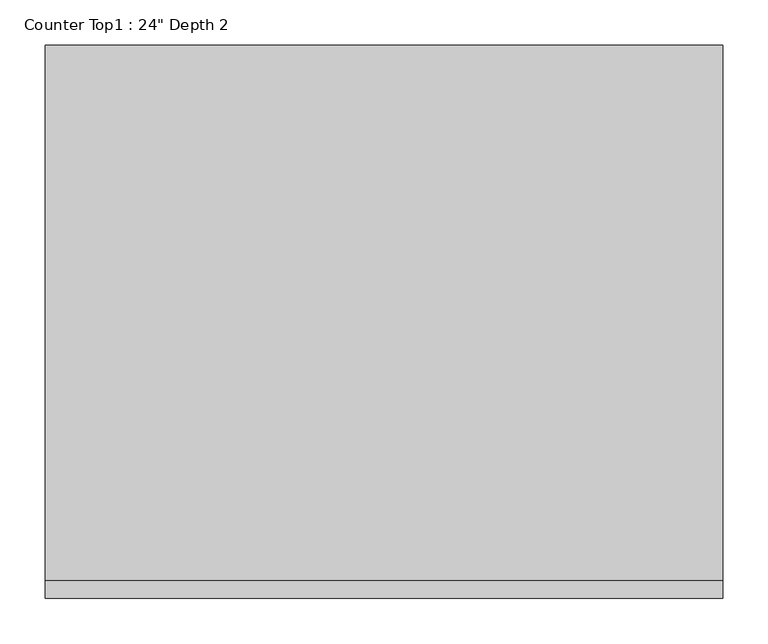
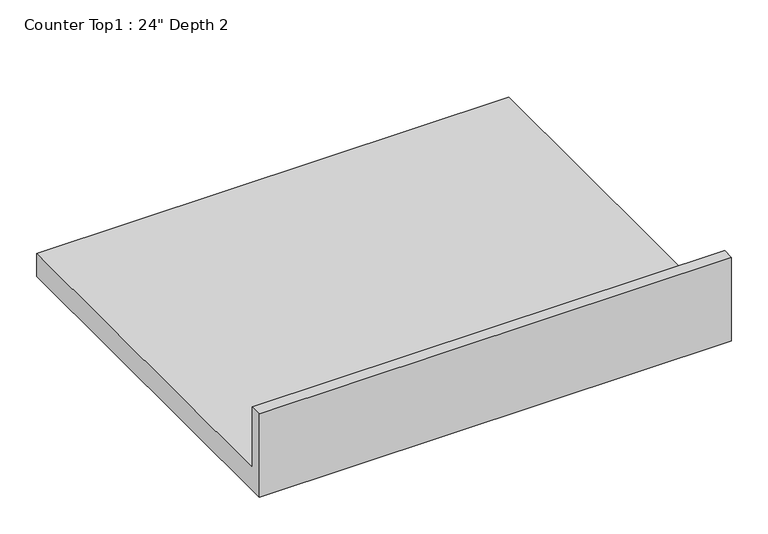
"""IFC4 building model written with IfcOpenShell, lengths in millimetres: furniture geometry."""

from ifc_helpers import new_model, si_unit, frame, origin, place, context, project, spatial, polyline, outline, extrude, source, transform, mapped, element, save


def furniture_7ddaaba6(model_context):
    return source(origin(), model_context, "Body", "SweptSolid", [
        extrude(outline(polyline([(0.0, 1016.0), (19.05, 1016.0), (19.05, 914.4), (609.6, 914.4), (609.6, 876.3), (0.0, 876.3), (0.0, 1016.0)])), frame((-1200.4622951, 0.0, 0.0), z_axis=(1.0, 0.0, 0.0), x_axis=(0.0, 1.0, 0.0)), (0.0, 0.0, 1.0), 746.8327202),
    ])


if __name__ == "__main__":
    model = new_model("IFC4")
    model_context = context("Model", 3, world=origin())
    ifc_project = project(units=[si_unit("LENGTHUNIT", "METRE", prefix="MILLI")], contexts=[model_context])
    site = spatial("IfcSite", under=ifc_project)
    building = spatial("IfcBuilding", under=site)
    placement = place(None, origin())
    furniture_shape = furniture_7ddaaba6(model_context)
    element("IfcFurniture", 1, ObjectType="Counter Top1 : 24\" Depth 2", at=placement, inside=building, context=model_context, shape_type="MappedRepresentation", body=[
        mapped(furniture_shape, transform((0.0, 0.0, 0.0), x_axis=(1.0, 0.0, 0.0), y_axis=(0.0, 1.0, 0.0), z_axis=(0.0, 0.0, 1.0))),
    ])
    save(model, "model.ifc")
